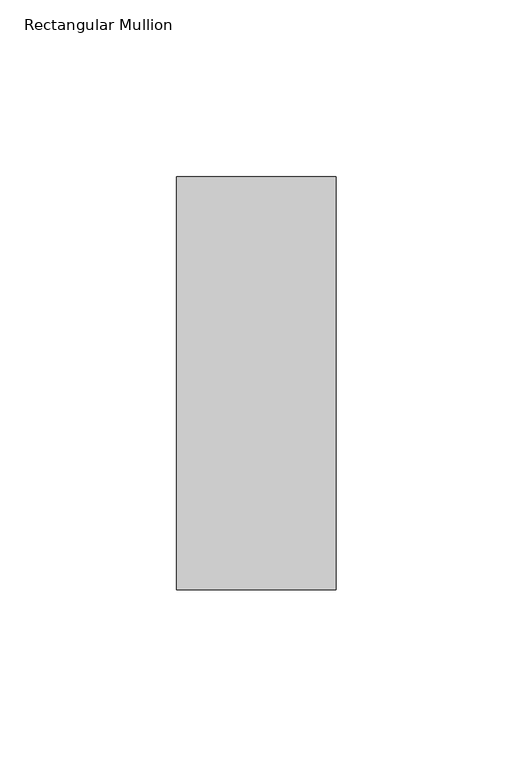
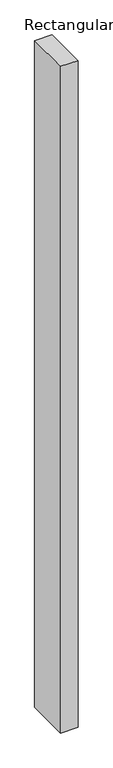
"""IFC4 building model written with IfcOpenShell, lengths in millimetres: member geometry, Rectangular Mullion."""

from ifc_helpers import new_model, si_unit, frame, origin, place, context, project, spatial, polyline, outline, extrude, source, transform, mapped, element, save


def rectangular_mullion_966e9768(model_context):
    return source(origin(), model_context, "Body", "SweptSolid", [
        extrude(outline(polyline([(0.0, 73.875), (0.0, -42.8257813), (-45.0453125, -42.8257813), (-45.0453125, 73.875), (0.0, 73.875)])), frame((0.0, 0.0, -1828.8), z_axis=(0.0, 0.0, 1.0), x_axis=(1.0, 0.0, 0.0)), (0.0, 0.0, 1.0), 1828.8),
    ])


if __name__ == "__main__":
    model = new_model("IFC4")
    model_context = context("Model", 3, world=origin())
    ifc_project = project(units=[si_unit("LENGTHUNIT", "METRE", prefix="MILLI")], contexts=[model_context])
    site = spatial("IfcSite", under=ifc_project)
    building = spatial("IfcBuilding", under=site)
    placement = place(None, origin())
    rectangular_mullion_shape = rectangular_mullion_966e9768(model_context)
    element("IfcMember", 1, ObjectType="Rectangular Mullion", at=placement, inside=building, context=model_context, shape_type="MappedRepresentation", body=[
        mapped(rectangular_mullion_shape, transform((0.0, 0.0, 0.0), x_axis=(1.0, 0.0, 0.0), y_axis=(0.0, 1.0, 0.0), z_axis=(0.0, 0.0, 1.0))),
    ])
    save(model, "model.ifc")
